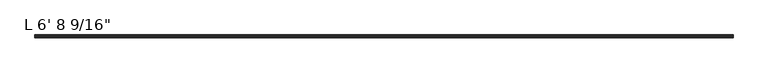
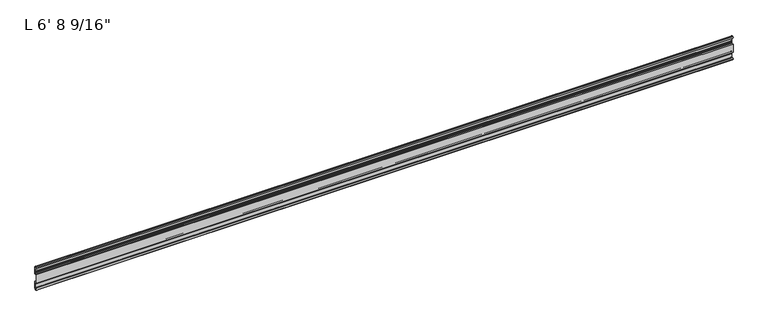
"""IFC4 building model written with IfcOpenShell, lengths in millimetres: proxy geometry."""

from ifc_helpers import new_model, si_unit, point, frame, frame_2d, origin, place, context, project, spatial, polyline, circle_curve, trimmed, segment, composite_curve, outline, extrude, source, transform, mapped, element, save


def proxy_b03a74f3(model_context):
    return source(origin(), model_context, "Body", "SweptSolid", [
        extrude(outline(composite_curve([segment(trimmed(circle_curve(frame_2d((14.5481808, -29.2063136)), 3.048), [point((13.6400687, -32.1158903))], [point((11.9462301, -30.7938136))], False, "CARTESIAN"), True, "CONTINUOUS"), segment(trimmed(circle_curve(frame_2d((14.5481808, -29.2063136)), 3.048), [point((11.9462301, -30.7938136))], [point((13.6400687, -26.2967369))], False, "CARTESIAN"), True, "CONTINUOUS"), segment(polyline([(13.6400687, -26.2967369), (15.4364113, -25.7360779)]), True, "CONTINUOUS"), segment(trimmed(circle_curve(frame_2d((15.6245238, -26.2747792)), 0.5706009), [point((15.4364113, -25.7360779))], [point((16.1779173, -26.4138515))], False, "CARTESIAN"), True, "CONTINUOUS"), segment(trimmed(circle_curve(frame_2d((16.9169378, -26.5995734)), 0.762), [point((16.1779173, -26.4138515))], [point((16.9376166, -27.3612928))], True, "CARTESIAN"), True, "CONTINUOUS"), segment(trimmed(circle_curve(frame_2d((16.9545, -26.8535734)), 0.508), [point((16.9376166, -27.3612928))], [point((17.4625, -26.8535734))], True, "CARTESIAN"), True, "CONTINUOUS"), segment(polyline([(17.4625, -26.8535734), (17.4625, -15.6659614), (17.9716639, -14.7485418), (17.9716639, -13.408381), (17.4625, -12.4909614), (17.4625, -10.1123329)]), True, "CONTINUOUS"), segment(trimmed(circle_curve(frame_2d((15.875, -10.1123329)), 1.5875), [point((17.4625, -10.1123329))], [point((15.875, -8.5248329))], True, "CARTESIAN"), True, "CONTINUOUS"), segment(polyline([(15.875, -8.5248329), (11.1125, -8.5248329), (11.1125, 16.902011), (15.875, 16.902011)]), True, "CONTINUOUS"), segment(trimmed(circle_curve(frame_2d((15.875, 18.489511)), 1.5875), [point((15.875, 16.902011))], [point((17.4625, 18.489511))], True, "CARTESIAN"), True, "CONTINUOUS"), segment(polyline([(17.4625, 18.489511), (17.4625, 20.8681395), (17.9716639, 21.7855591), (17.9716639, 23.1257199), (17.4625, 24.0431395), (17.4625, 35.2307515)]), True, "CONTINUOUS"), segment(trimmed(circle_curve(frame_2d((16.9545, 35.2307515)), 0.508), [point((17.4625, 35.2307515))], [point((16.9376166, 35.7384709))], True, "CARTESIAN"), True, "CONTINUOUS"), segment(trimmed(circle_curve(frame_2d((16.9169378, 34.9767515)), 0.762), [point((16.9376166, 35.7384709))], [point((16.1779173, 34.7910296))], True, "CARTESIAN"), True, "CONTINUOUS"), segment(trimmed(circle_curve(frame_2d((15.6245238, 34.6519573)), 0.5706009), [point((16.1779173, 34.7910296))], [point((15.4364113, 34.113256))], False, "CARTESIAN"), True, "CONTINUOUS"), segment(polyline([(15.4364113, 34.113256), (13.6400687, 34.673915)]), True, "CONTINUOUS"), segment(trimmed(circle_curve(frame_2d((14.5481808, 37.5834917)), 3.048), [point((13.6400687, 34.673915))], [point((11.9462301, 39.1709917))], False, "CARTESIAN"), True, "CONTINUOUS"), segment(trimmed(circle_curve(frame_2d((14.5481808, 37.5834917)), 3.048), [point((11.9462301, 39.1709917))], [point((13.6400687, 40.4930684))], False, "CARTESIAN"), True, "CONTINUOUS"), segment(polyline([(13.6400687, 40.4930684), (15.4750158, 41.0657763)]), True, "CONTINUOUS"), segment(trimmed(circle_curve(frame_2d((15.6853088, 40.6458616)), 0.4696291), [point((15.4750158, 41.0657763))], [point((16.1549378, 40.6458616))], False, "CARTESIAN"), True, "CONTINUOUS"), segment(polyline([(16.1549378, 40.6458616), (16.1549378, 39.1042515)]), True, "CONTINUOUS"), segment(trimmed(circle_curve(frame_2d((17.7424378, 39.1042515)), 1.5875), [point((16.1549378, 39.1042515))], [point((17.7424378, 37.5167515))], True, "CARTESIAN"), True, "CONTINUOUS"), segment(polyline([(17.7424378, 37.5167515), (19.05, 37.5167515), (19.05, 16.8792515)]), True, "CONTINUOUS"), segment(trimmed(circle_curve(frame_2d((17.4625, 16.8792515)), 1.5875), [point((19.05, 16.8792515))], [point((17.4625, 15.2917515))], False, "CARTESIAN"), True, "CONTINUOUS"), segment(polyline([(17.4625, 15.2917515), (12.7, 15.2917515), (12.7, -6.9145734), (17.4625, -6.9145734)]), True, "CONTINUOUS"), segment(trimmed(circle_curve(frame_2d((17.4625, -8.5020734)), 1.5875), [point((17.4625, -6.9145734))], [point((19.05, -8.5020734))], False, "CARTESIAN"), True, "CONTINUOUS"), segment(polyline([(19.05, -8.5020734), (19.05, -29.1395734), (17.7424378, -29.1395734)]), True, "CONTINUOUS"), segment(trimmed(circle_curve(frame_2d((17.7424378, -30.7270734)), 1.5875), [point((17.7424378, -29.1395734))], [point((16.1549378, -30.7270734))], True, "CARTESIAN"), True, "CONTINUOUS"), segment(polyline([(16.1549378, -30.7270734), (16.1549378, -32.2686835)]), True, "CONTINUOUS"), segment(trimmed(circle_curve(frame_2d((15.6853088, -32.2686835)), 0.4696291), [point((16.1549378, -32.2686835))], [point((15.4750158, -32.6885982))], False, "CARTESIAN"), True, "CONTINUOUS"), segment(polyline([(15.4750158, -32.6885982), (13.6400687, -32.1158903)]), True, "CONTINUOUS")], self_intersect=False)), frame((-1741.4875, 0.0, 0.0), z_axis=(1.0, 0.0, 0.0), x_axis=(0.0, 1.0, 0.0)), (0.0, 0.0, 1.0), 2046.2875),
    ])


if __name__ == "__main__":
    model = new_model("IFC4")
    model_context = context("Model", 3, world=origin())
    ifc_project = project(units=[si_unit("LENGTHUNIT", "METRE", prefix="MILLI")], contexts=[model_context])
    site = spatial("IfcSite", under=ifc_project)
    building = spatial("IfcBuilding", under=site)
    placement = place(None, origin())
    proxy_shape = proxy_b03a74f3(model_context)
    element("IfcBuildingElementProxy", 1, Name="L 6' 8 9/16\"", ObjectType="L 6' 8 9/16\"", at=placement, inside=building, context=model_context, shape_type="MappedRepresentation", body=[
        mapped(proxy_shape, transform((0.0, 0.0, 0.0), x_axis=(1.0, 0.0, 0.0), y_axis=(0.0, 1.0, 0.0), z_axis=(0.0, 0.0, 1.0))),
    ])
    save(model, "model.ifc")
